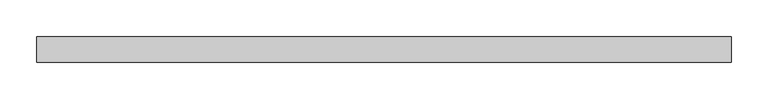
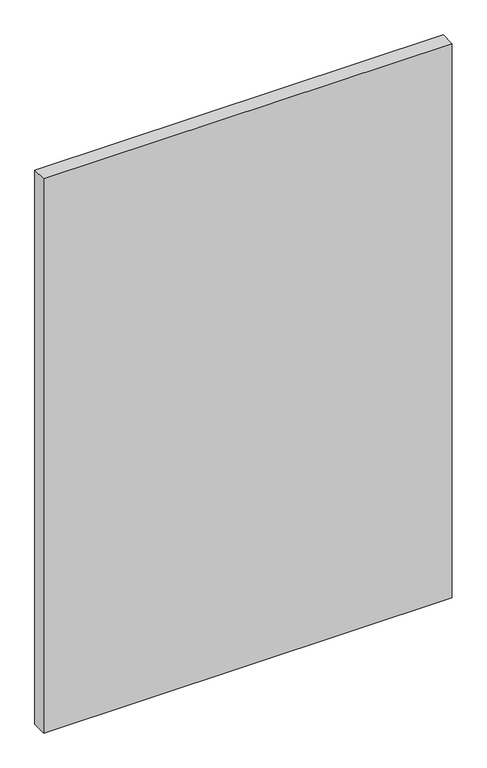
"""IFC4 building model written with IfcOpenShell, lengths in millimetres: plate geometry."""

from ifc_helpers import new_model, si_unit, origin, origin_with_axes, place, context, project, spatial, polyline, outline, extrude, source, transform, mapped, element, save


def plate_232a82ee(model_context):
    return source(origin(), model_context, "Body", "SweptSolid", [
        extrude(outline(polyline([(475.0625, -17.5), (-475.0625, -17.5), (-475.0625, 17.5), (475.0625, 17.5), (475.0625, -17.5)])), origin_with_axes(), (0.0, 0.0, 1.0), 1362.5560565),
    ])


if __name__ == "__main__":
    model = new_model("IFC4")
    model_context = context("Model", 3, world=origin())
    ifc_project = project(units=[si_unit("LENGTHUNIT", "METRE", prefix="MILLI")], contexts=[model_context])
    site = spatial("IfcSite", under=ifc_project)
    building = spatial("IfcBuilding", under=site)
    placement = place(None, origin())
    plate_shape = plate_232a82ee(model_context)
    element("IfcPlate", 1, at=placement, inside=building, context=model_context, shape_type="MappedRepresentation", body=[
        mapped(plate_shape, transform((0.0, 0.0, 0.0), x_axis=(1.0, 0.0, 0.0), y_axis=(0.0, 1.0, 0.0), z_axis=(0.0, 0.0, 1.0))),
    ])
    save(model, "model.ifc")
